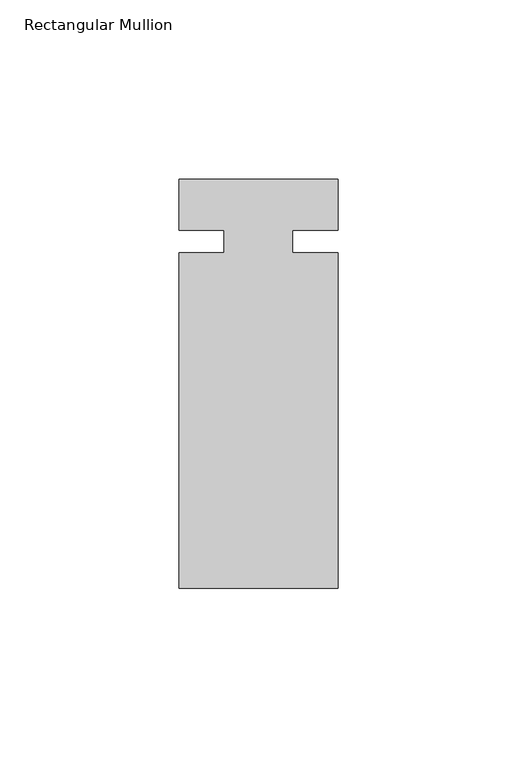
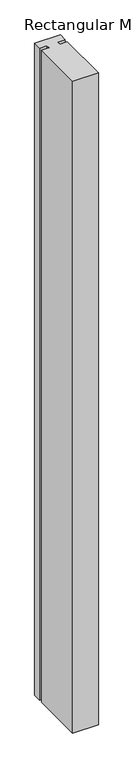
"""IFC4 building model written with IfcOpenShell, lengths in millimetres: member geometry, Rectangular Mullion."""

import ifcopenshell
import ifcopenshell.guid

model = None  # the IFC model being written
_history = None  # IfcOwnerHistory: only IFC2X3 demands one
_inside = {}  # id of a spatial element -> (the spatial element, [elements in it])
_under = {}  # id of a project, library or spatial element -> (it, [spatial elements below it])
_declared = {}  # id of a project -> (the project, [libraries it declares])
_typed = {}  # id of a type object -> (the type object, [elements of that type])
_made_of = {}  # id of a material, layer set ... -> (it, [elements and type objects made of it])


def new_model(schema):
    """Start an empty IFC model of exactly this schema.

    Asked for "IFC4X3", IfcOpenShell would pick the latest addendum, in which some entities
    have other attributes; the version numbers below select the first issue.
    IFC2X3 requires an IfcOwnerHistory on every rooted entity: one is made here for all.
    """
    global model, _history
    if schema == "IFC4X3":
        model = ifcopenshell.file(schema_version=(4, 3, 0, 0))
    else:
        model = ifcopenshell.file(schema=schema)
    _inside.clear()
    _under.clear()
    _declared.clear()
    _typed.clear()
    _made_of.clear()
    _history = None
    if model.schema == "IFC2X3":
        org = make("IfcOrganization", Name="unknown")
        user = make(
            "IfcPersonAndOrganization",
            ThePerson=make("IfcPerson", FamilyName="unknown"),
            TheOrganization=org,
        )
        app = make(
            "IfcApplication",
            ApplicationDeveloper=org,
            Version="unknown",
            ApplicationFullName="unknown",
            ApplicationIdentifier="unknown",
        )
        _history = make(
            "IfcOwnerHistory",
            OwningUser=user,
            OwningApplication=app,
            ChangeAction="ADDED",
            CreationDate=0,
        )
    return model


def make(cls, **values):
    """One entity of the class cls with the attributes given. An attribute that is None is left unset."""
    return model.create_entity(
        cls, **{name: value for name, value in values.items() if value is not None}
    )


def rooted(cls, **values):
    """An entity with a GlobalId (a new one), such as an element, a storey or a relation."""
    return make(cls, GlobalId=ifcopenshell.guid.new(), OwnerHistory=_history, **values)


def si_unit(unit_type, name, prefix=None):
    """IfcSIUnit, for example si_unit("LENGTHUNIT", "METRE", prefix="MILLI")."""
    return make("IfcSIUnit", UnitType=unit_type, Prefix=prefix, Name=name)


def assignment(units):
    """IfcUnitAssignment: the units of a project."""
    return None if units is None else make("IfcUnitAssignment", Units=units)


def point(xyz):
    """IfcCartesianPoint."""
    return None if xyz is None else make("IfcCartesianPoint", Coordinates=xyz)


def direction(xyz):
    """IfcDirection."""
    return None if xyz is None else make("IfcDirection", DirectionRatios=xyz)


def frame(location, z_axis=None, x_axis=None):
    """IfcAxis2Placement3D, a coordinate frame: its origin and axes. An axis left out is left unset."""
    return make(
        "IfcAxis2Placement3D",
        Location=point(location),
        Axis=direction(z_axis),
        RefDirection=direction(x_axis),
    )


def origin():
    """The frame at (0, 0, 0) with its axes left unset."""
    return frame((0.0, 0.0, 0.0))


def place(relative_to, where):
    """IfcLocalPlacement: puts the frame where relative to a parent placement (None: the world)."""
    return make(
        "IfcLocalPlacement", PlacementRelTo=relative_to, RelativePlacement=where
    )


def context(
    kind, dimensions, precision=None, world=None, true_north=None, identifier=None
):
    """IfcGeometricRepresentationContext, for example the 3D "Model" context."""
    return make(
        "IfcGeometricRepresentationContext",
        ContextIdentifier=identifier,
        ContextType=kind,
        CoordinateSpaceDimension=dimensions,
        Precision=precision,
        WorldCoordinateSystem=world,
        TrueNorth=true_north,
    )


def project(units=None, contexts=None):
    """IfcProject with its units and contexts."""
    return rooted(
        "IfcProject",
        Name="project",
        RepresentationContexts=contexts,
        UnitsInContext=assignment(units),
    )


def spatial(cls, under=None, at=None, **own):
    """A site, building, storey or space (cls), placed at a placement, below another one or the project."""
    s = rooted(cls, ObjectPlacement=at, **own)
    if under is not None:
        _under.setdefault(under.id(), (under, []))[1].append(s)
    return s


def polyline(points):
    """IfcPolyline through the points."""
    return make("IfcPolyline", Points=[point(p) for p in points])


def outline(outer, holes=None, kind="AREA"):
    """IfcArbitraryClosedProfileDef: a profile drawn as a closed curve; with holes, ...WithVoids."""
    if holes is None:
        return make("IfcArbitraryClosedProfileDef", ProfileType=kind, OuterCurve=outer)
    return make(
        "IfcArbitraryProfileDefWithVoids",
        ProfileType=kind,
        OuterCurve=outer,
        InnerCurves=holes,
    )


def extrude(swept, where, along, depth):
    """IfcExtrudedAreaSolid: the profile swept, set in the frame where, extruded along a direction by depth."""
    return make(
        "IfcExtrudedAreaSolid",
        SweptArea=swept,
        Position=where,
        ExtrudedDirection=direction(along),
        Depth=depth,
    )


def shape(context_of_items, identifier, shape_type, items):
    """IfcShapeRepresentation: the items that make up one representation, for example the "Body"."""
    return make(
        "IfcShapeRepresentation",
        ContextOfItems=context_of_items,
        RepresentationIdentifier=identifier,
        RepresentationType=shape_type,
        Items=items,
    )


def source(mapping_origin, context_of_items, identifier, shape_type, items):
    """IfcRepresentationMap: a shape defined once, which mapped items show again and again."""
    return make(
        "IfcRepresentationMap",
        MappingOrigin=mapping_origin,
        MappedRepresentation=shape(context_of_items, identifier, shape_type, items),
    )


def transform(
    local_origin,
    x_axis=None,
    y_axis=None,
    z_axis=None,
    scale=None,
    scale2=None,
    scale3=None,
    uniform=True,
):
    """IfcCartesianTransformationOperator3D, or its non-uniform kind. x_axis, y_axis, z_axis: its Axis1, 2, 3."""
    if uniform:
        return make(
            "IfcCartesianTransformationOperator3D",
            Axis1=direction(x_axis),
            Axis2=direction(y_axis),
            LocalOrigin=point(local_origin),
            Scale=scale,
            Axis3=direction(z_axis),
        )
    return make(
        "IfcCartesianTransformationOperator3DnonUniform",
        Axis1=direction(x_axis),
        Axis2=direction(y_axis),
        LocalOrigin=point(local_origin),
        Scale=scale,
        Axis3=direction(z_axis),
        Scale2=scale2,
        Scale3=scale3,
    )


def mapped(mapping_source, mapping_target):
    """IfcMappedItem: shows the shape of a source again, moved by a transform."""
    return make(
        "IfcMappedItem", MappingSource=mapping_source, MappingTarget=mapping_target
    )


def made_of(thing, what):
    """Note that an element or type object is made of a material, layer set ...; save() writes the relation."""
    if what is not None:
        _made_of.setdefault(what.id(), (what, []))[1].append(thing)
    return thing


def element(
    cls,
    number,
    at=None,
    inside=None,
    cuts=None,
    type_object=None,
    material=None,
    context=None,
    identifier="Body",
    shape_type=None,
    held_by="IfcProductDefinitionShape",
    body=None,
    shapes=None,
    **own,
):
    """One element of the class cls, such as IfcWall. Its Tag is "e" and its number.

    at: its placement. inside: the storey or other place that contains it. cuts: it is an
    opening in that element (IfcRelVoidsElement). A single representation is given by context,
    identifier, shape_type and body (its items); several are given by shapes. held_by: the class
    of the entity that holds the representations. save() writes the other relations.
    """
    e = rooted(cls, Tag="e%d" % number, ObjectPlacement=at, **own)
    if body is not None:
        shapes = [shape(context, identifier, shape_type, body)]
    if shapes is not None:
        e.Representation = make(held_by, Representations=shapes)
    if inside is not None:
        _inside.setdefault(inside.id(), (inside, []))[1].append(e)
    if cuts is not None:
        rooted(
            "IfcRelVoidsElement", RelatingBuildingElement=cuts, RelatedOpeningElement=e
        )
    if type_object is not None:
        _typed.setdefault(type_object.id(), (type_object, []))[1].append(e)
    return made_of(e, material)


def aggregate(whole, parts):
    """IfcRelAggregates: a whole, such as a stair, and the parts it consists of."""
    return rooted("IfcRelAggregates", RelatingObject=whole, RelatedObjects=parts)


def save(model, path):
    """Write the relations noted so far, then the file.

    IfcRelAggregates (storeys below a building ...), IfcRelContainedInSpatialStructure (elements
    in a storey), IfcRelDefinesByType, IfcRelAssociatesMaterial and IfcRelDeclares: one each for
    every whole, place, type object, material and project.
    """
    for whole, parts in _under.values():
        aggregate(whole, parts)
    for where, things in _inside.values():
        rooted(
            "IfcRelContainedInSpatialStructure",
            RelatedElements=things,
            RelatingStructure=where,
        )
    for kind, things in _typed.values():
        rooted("IfcRelDefinesByType", RelatedObjects=things, RelatingType=kind)
    for what, things in _made_of.values():
        rooted("IfcRelAssociatesMaterial", RelatedObjects=things, RelatingMaterial=what)
    for by, libraries in _declared.values():
        rooted("IfcRelDeclares", RelatingContext=by, RelatedDefinitions=libraries)
    model.write(path)


def rectangular_mullion_b09f2a01(model_context):
    return source(origin(), model_context, "Body", "SweptSolid", [
        extrude(outline(polyline([(26.5594027, 17.4625), (26.5594027, 3.2050658), (13.8576322, 3.2050658), (13.8576322, -3.1449342), (26.5594027, -3.1449342), (26.5594027, -96.8375), (-17.8905973, -96.8375), (-17.8905973, -3.1449342), (-5.1905973, -3.1449342), (-5.1905973, 3.2050658), (-17.8905973, 3.2050658), (-17.8905973, 17.4625), (26.5594027, 17.4625)])), frame((0.0, 0.0, -1196.975), z_axis=(0.0, 0.0, 1.0), x_axis=(1.0, 0.0, 0.0)), (0.0, 0.0, 1.0), 1196.975),
    ])


if __name__ == "__main__":
    model = new_model("IFC4")
    model_context = context("Model", 3, world=origin())
    ifc_project = project(units=[si_unit("LENGTHUNIT", "METRE", prefix="MILLI")], contexts=[model_context])
    site = spatial("IfcSite", under=ifc_project)
    building = spatial("IfcBuilding", under=site)
    placement = place(None, origin())
    rectangular_mullion_shape = rectangular_mullion_b09f2a01(model_context)
    element("IfcMember", 1, ObjectType="Rectangular Mullion", at=placement, inside=building, context=model_context, shape_type="MappedRepresentation", body=[
        mapped(rectangular_mullion_shape, transform((0.0, 0.0, 0.0), x_axis=(1.0, 0.0, 0.0), y_axis=(0.0, 1.0, 0.0), z_axis=(0.0, 0.0, 1.0))),
    ])
    save(model, "model.ifc")
